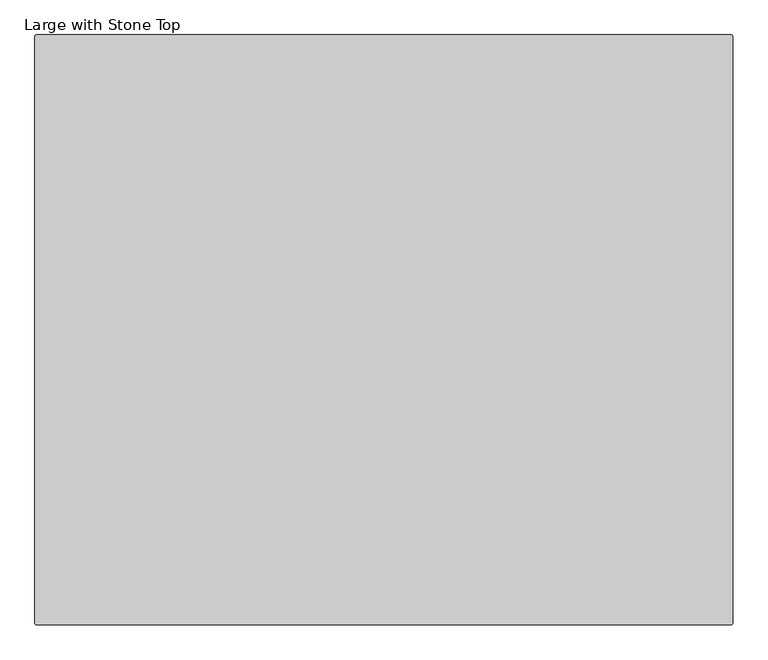
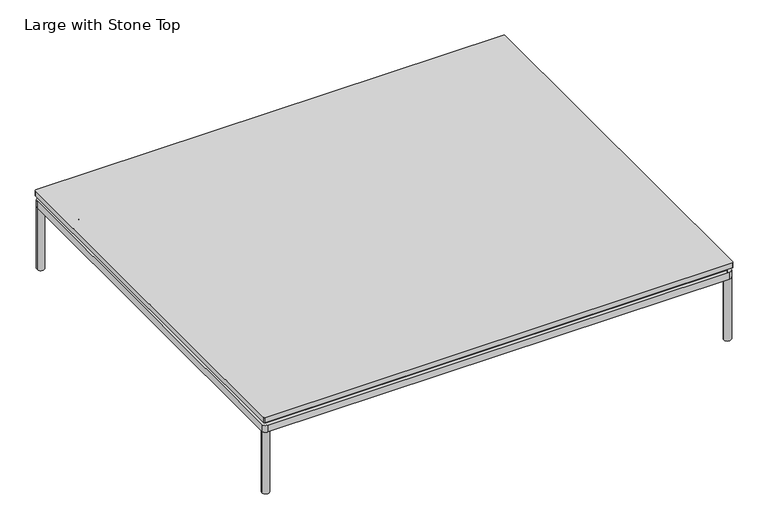
"""IFC4 building model written with IfcOpenShell, lengths in millimetres: furniture geometry, Large with Stone Top."""

from ifc_helpers import new_model, si_unit, point, frame, frame_2d, origin, origin_with_axes, place, context, project, spatial, polyline, circle_curve, trimmed, segment, composite_curve, outline, extrude, source, transform, mapped, element, save
from ifc_brep_helpers import plane_surface, cylinder_surface, advanced_brep


def large_with_stone_top_660dfce0(model_context):
    return source(origin(), model_context, "Body", "SolidModel", [
        extrude(outline(composite_curve([segment(trimmed(circle_curve(frame_2d((492.2547118, 255.27)), 2.54), [point((492.2547118, 257.81))], [point((494.7947118, 255.27))], False, "CARTESIAN"), True, "CONTINUOUS"), segment(polyline([(494.7947118, 255.27), (494.7947118, -839.47)]), True, "CONTINUOUS"), segment(trimmed(circle_curve(frame_2d((492.2547118, -839.47)), 2.54), [point((494.7947118, -839.47))], [point((492.2547118, -842.01))], False, "CARTESIAN"), True, "CONTINUOUS"), segment(polyline([(492.2547118, -842.01), (-803.1452882, -842.01)]), True, "CONTINUOUS"), segment(trimmed(circle_curve(frame_2d((-803.1452882, -839.47)), 2.54), [point((-803.1452882, -842.01))], [point((-805.6852882, -839.47))], False, "CARTESIAN"), True, "CONTINUOUS"), segment(polyline([(-805.6852882, -839.47), (-805.6852882, 255.27)]), True, "CONTINUOUS"), segment(trimmed(circle_curve(frame_2d((-803.1452882, 255.27)), 2.54), [point((-805.6852882, 255.27))], [point((-803.1452882, 257.81))], False, "CARTESIAN"), True, "CONTINUOUS"), segment(polyline([(-803.1452882, 257.81), (492.2547118, 257.81)]), True, "CONTINUOUS")], self_intersect=False)), frame((0.0, 0.0, 210.5656929), z_axis=(0.0, 0.0, 1.0), x_axis=(1.0, 0.0, 0.0)), (0.0, 0.0, 1.0), 15.2403071),
        extrude(outline(composite_curve([segment(trimmed(circle_curve(frame_2d((-793.7438099, 245.8600121)), 1.9413078), [point((-795.6851177, 245.8600121))], [point((-793.7438099, 247.8013198))], False, "CARTESIAN"), True, "CONTINUOUS"), segment(polyline([(-793.7438099, 247.8013198), (482.7909315, 247.8013198)]), True, "CONTINUOUS"), segment(trimmed(circle_curve(frame_2d((482.7909315, 245.7941911)), 2.0071288), [point((482.7909315, 247.8013198))], [point((484.7980603, 245.7941911))], False, "CARTESIAN"), True, "CONTINUOUS"), segment(polyline([(484.7980603, 245.7941911), (484.7980603, -830.0202885)]), True, "CONTINUOUS"), segment(trimmed(circle_curve(frame_2d((482.7963356, -830.0202885)), 2.0017246), [point((484.7980603, -830.0202885))], [point((482.7963356, -832.0220131))], False, "CARTESIAN"), True, "CONTINUOUS"), segment(polyline([(482.7963356, -832.0220131), (-793.6865391, -832.0220131)]), True, "CONTINUOUS"), segment(trimmed(circle_curve(frame_2d((-793.6865391, -830.0234345)), 1.9985786), [point((-793.6865391, -832.0220131))], [point((-795.6851177, -830.0234345))], False, "CARTESIAN"), True, "CONTINUOUS"), segment(polyline([(-795.6851177, -830.0234345), (-795.6851177, 245.8600121)]), True, "CONTINUOUS")], self_intersect=False)), frame((0.0, 0.0, 200.6639327), z_axis=(0.0, 0.0, 1.0), x_axis=(1.0, 0.0, 0.0)), (0.0, 0.0, 1.0), 8.6983971),
        extrude(outline(composite_curve([segment(trimmed(circle_curve(frame_2d((-734.5485908, -768.4918899)), 0.8405923), [point((-734.1762907, -769.2455397))], [point((-735.2478371, -768.9584197))], False, "CARTESIAN"), True, "CONTINUOUS"), segment(trimmed(circle_curve(frame_2d((-716.0123929, -752.9681431)), 25.0138214), [point((-735.2478371, -768.9584197))], [point((-739.4781008, -761.6313881))], False, "CARTESIAN"), True, "CONTINUOUS"), segment(trimmed(circle_curve(frame_2d((-738.5030497, -761.3200964)), 1.0235365), [point((-739.4781008, -761.6313881))], [point((-739.0770727, -760.472674))], False, "CARTESIAN"), True, "CONTINUOUS"), segment(trimmed(circle_curve(frame_2d((-759.3974109, -730.4740319)), 36.2330605), [point((-739.0770727, -760.472674))], [point((-723.2576556, -733.07264))], True, "CARTESIAN"), True, "CONTINUOUS"), segment(trimmed(circle_curve(frame_2d((-722.2381008, -733.1459505)), 1.0221871), [point((-723.2576556, -733.07264))], [point((-722.4469831, -732.1453333))], False, "CARTESIAN"), True, "CONTINUOUS"), segment(trimmed(circle_curve(frame_2d((-718.2244211, -752.3728401)), 20.6635442), [point((-722.4469831, -732.1453333))], [point((-714.0018591, -732.1453333))], False, "CARTESIAN"), True, "CONTINUOUS"), segment(trimmed(circle_curve(frame_2d((-714.2108273, -733.1463624)), 1.0226079), [point((-714.0018591, -732.1453333))], [point((-713.1908621, -733.072893))], False, "CARTESIAN"), True, "CONTINUOUS"), segment(trimmed(circle_curve(frame_2d((-677.8017646, -730.9076737)), 35.4552732), [point((-713.1908621, -733.072893))], [point((-697.3714482, -760.4729215))], True, "CARTESIAN"), True, "CONTINUOUS"), segment(trimmed(circle_curve(frame_2d((-697.8841782, -761.2984642)), 0.971809), [point((-697.3714482, -760.4729215))], [point((-696.9743802, -761.6400494))], False, "CARTESIAN"), True, "CONTINUOUS"), segment(trimmed(circle_curve(frame_2d((-721.1201172, -752.5744916)), 25.79149), [point((-696.9743802, -761.6400494))], [point((-701.1962454, -768.9525343))], False, "CARTESIAN"), True, "CONTINUOUS"), segment(trimmed(circle_curve(frame_2d((-701.9409291, -768.3403811)), 0.9639946), [point((-701.1962454, -768.9525343))], [point((-702.2725515, -769.2455397))], False, "CARTESIAN"), True, "CONTINUOUS"), segment(trimmed(circle_curve(frame_2d((-718.2244211, -801.5370245)), 36.0166924), [point((-702.2725515, -769.2455397))], [point((-734.1762907, -769.2455397))], True, "CARTESIAN"), True, "CONTINUOUS")], self_intersect=False)), frame((0.0, 0.0, 165.7894444), z_axis=(0.0, 0.0, 1.0), x_axis=(1.0, 0.0, 0.0)), (0.0, 0.0, 1.0), 9.7910462),
        extrude(outline(composite_curve([segment(trimmed(circle_curve(frame_2d((-718.2242758, -754.2455832)), 3.9922173), [point((-714.2320585, -754.2455832))], [point((-722.216493, -754.2455832))], False, "CARTESIAN"), True, "CONTINUOUS"), segment(trimmed(circle_curve(frame_2d((-718.2242758, -754.2455832)), 3.9922173), [point((-722.216493, -754.2455832))], [point((-714.2320585, -754.2455832))], False, "CARTESIAN"), True, "CONTINUOUS")], self_intersect=False)), frame((0.0, 0.0, 170.7645404), z_axis=(0.0, 0.0, 1.0), x_axis=(1.0, 0.0, 0.0)), (0.0, 0.0, 1.0), 38.5901772),
        extrude(outline(composite_curve([segment(trimmed(circle_curve(frame_2d((-718.2242758, -754.2455832)), 9.4525726), [point((-708.7717031, -754.2455832))], [point((-727.6768484, -754.2455832))], False, "CARTESIAN"), True, "CONTINUOUS"), segment(trimmed(circle_curve(frame_2d((-718.2242758, -754.2455832)), 9.4525726), [point((-727.6768484, -754.2455832))], [point((-708.7717031, -754.2455832))], False, "CARTESIAN"), True, "CONTINUOUS")], self_intersect=False)), frame((0.0, 0.0, 200.6639145), z_axis=(0.0, 0.0, 1.0), x_axis=(1.0, 0.0, 0.0)), (0.0, 0.0, 1.0), 5.0787766),
        extrude(outline(composite_curve([segment(trimmed(circle_curve(frame_2d((-718.2242758, -754.2455832)), 9.4525726), [point((-708.7717031, -754.2455832))], [point((-727.6768484, -754.2455832))], False, "CARTESIAN"), True, "CONTINUOUS"), segment(trimmed(circle_curve(frame_2d((-718.2242758, -754.2455832)), 9.4525726), [point((-727.6768484, -754.2455832))], [point((-708.7717031, -754.2455832))], False, "CARTESIAN"), True, "CONTINUOUS")], self_intersect=False)), frame((0.0, 0.0, 175.5804905), z_axis=(0.0, 0.0, 1.0), x_axis=(1.0, 0.0, 0.0)), (0.0, 0.0, 1.0), 5.0787766),
        extrude(outline(composite_curve([segment(trimmed(circle_curve(frame_2d((396.8166573, -801.5370245)), 36.0166924), [point((412.7685269, -769.2455397))], [point((380.8647877, -769.2455397))], True, "CARTESIAN"), True, "CONTINUOUS"), segment(trimmed(circle_curve(frame_2d((380.5331653, -768.3403811)), 0.9639946), [point((380.8647877, -769.2455397))], [point((379.7884816, -768.9525343))], False, "CARTESIAN"), True, "CONTINUOUS"), segment(trimmed(circle_curve(frame_2d((399.7123534, -752.5744916)), 25.79149), [point((379.7884816, -768.9525343))], [point((375.5666164, -761.6400494))], False, "CARTESIAN"), True, "CONTINUOUS"), segment(trimmed(circle_curve(frame_2d((376.4764144, -761.2984642)), 0.971809), [point((375.5666164, -761.6400494))], [point((375.9636844, -760.4729215))], False, "CARTESIAN"), True, "CONTINUOUS"), segment(trimmed(circle_curve(frame_2d((356.3940008, -730.9076737)), 35.4552732), [point((375.9636844, -760.4729215))], [point((391.7830983, -733.072893))], True, "CARTESIAN"), True, "CONTINUOUS"), segment(trimmed(circle_curve(frame_2d((392.8030635, -733.1463624)), 1.0226079), [point((391.7830983, -733.072893))], [point((392.5940953, -732.1453333))], False, "CARTESIAN"), True, "CONTINUOUS"), segment(trimmed(circle_curve(frame_2d((396.8166573, -752.3728401)), 20.6635442), [point((392.5940953, -732.1453333))], [point((401.0392193, -732.1453333))], False, "CARTESIAN"), True, "CONTINUOUS"), segment(trimmed(circle_curve(frame_2d((400.830337, -733.1459505)), 1.0221871), [point((401.0392193, -732.1453333))], [point((401.8498918, -733.07264))], False, "CARTESIAN"), True, "CONTINUOUS"), segment(trimmed(circle_curve(frame_2d((437.9896471, -730.4740319)), 36.2330605), [point((401.8498918, -733.07264))], [point((417.6693089, -760.472674))], True, "CARTESIAN"), True, "CONTINUOUS"), segment(trimmed(circle_curve(frame_2d((417.0952859, -761.3200964)), 1.0235365), [point((417.6693089, -760.472674))], [point((418.070337, -761.6313881))], False, "CARTESIAN"), True, "CONTINUOUS"), segment(trimmed(circle_curve(frame_2d((394.604629, -752.9681431)), 25.0138214), [point((418.070337, -761.6313881))], [point((413.8400733, -768.9584197))], False, "CARTESIAN"), True, "CONTINUOUS"), segment(trimmed(circle_curve(frame_2d((413.140827, -768.4918899)), 0.8405923), [point((413.8400733, -768.9584197))], [point((412.7685269, -769.2455397))], False, "CARTESIAN"), True, "CONTINUOUS")], self_intersect=False)), frame((0.0, 0.0, 165.7894444), z_axis=(0.0, 0.0, 1.0), x_axis=(1.0, 0.0, 0.0)), (0.0, 0.0, 1.0), 9.7910462),
        extrude(outline(composite_curve([segment(trimmed(circle_curve(frame_2d((396.816512, -754.2455832)), 3.9922173), [point((392.8242947, -754.2455832))], [point((400.8087292, -754.2455832))], False, "CARTESIAN"), True, "CONTINUOUS"), segment(trimmed(circle_curve(frame_2d((396.816512, -754.2455832)), 3.9922173), [point((400.8087292, -754.2455832))], [point((392.8242947, -754.2455832))], False, "CARTESIAN"), True, "CONTINUOUS")], self_intersect=False)), frame((0.0, 0.0, 170.7645404), z_axis=(0.0, 0.0, 1.0), x_axis=(1.0, 0.0, 0.0)), (0.0, 0.0, 1.0), 38.5901772),
        extrude(outline(composite_curve([segment(trimmed(circle_curve(frame_2d((396.816512, -754.2455832)), 9.4525726), [point((387.3639393, -754.2455832))], [point((406.2690846, -754.2455832))], False, "CARTESIAN"), True, "CONTINUOUS"), segment(trimmed(circle_curve(frame_2d((396.816512, -754.2455832)), 9.4525726), [point((406.2690846, -754.2455832))], [point((387.3639393, -754.2455832))], False, "CARTESIAN"), True, "CONTINUOUS")], self_intersect=False)), frame((0.0, 0.0, 200.6639145), z_axis=(0.0, 0.0, 1.0), x_axis=(1.0, 0.0, 0.0)), (0.0, 0.0, 1.0), 5.0787766),
        extrude(outline(composite_curve([segment(trimmed(circle_curve(frame_2d((396.816512, -754.2455832)), 9.4525726), [point((387.3639393, -754.2455832))], [point((406.2690846, -754.2455832))], False, "CARTESIAN"), True, "CONTINUOUS"), segment(trimmed(circle_curve(frame_2d((396.816512, -754.2455832)), 9.4525726), [point((406.2690846, -754.2455832))], [point((387.3639393, -754.2455832))], False, "CARTESIAN"), True, "CONTINUOUS")], self_intersect=False)), frame((0.0, 0.0, 175.5804905), z_axis=(0.0, 0.0, 1.0), x_axis=(1.0, 0.0, 0.0)), (0.0, 0.0, 1.0), 5.0787766),
        extrude(outline(composite_curve([segment(trimmed(circle_curve(frame_2d((-734.5485908, 155.518788)), 0.8405923), [point((-734.1762907, 154.7651382))], [point((-735.2478371, 155.0522582))], False, "CARTESIAN"), True, "CONTINUOUS"), segment(trimmed(circle_curve(frame_2d((-716.0123929, 171.0425348)), 25.0138214), [point((-735.2478371, 155.0522582))], [point((-739.4781008, 162.3792898))], False, "CARTESIAN"), True, "CONTINUOUS"), segment(trimmed(circle_curve(frame_2d((-738.5030497, 162.6905815)), 1.0235365), [point((-739.4781008, 162.3792898))], [point((-739.0770727, 163.5380039))], False, "CARTESIAN"), True, "CONTINUOUS"), segment(trimmed(circle_curve(frame_2d((-759.3974109, 193.536646)), 36.2330605), [point((-739.0770727, 163.5380039))], [point((-723.2576556, 190.9380379))], True, "CARTESIAN"), True, "CONTINUOUS"), segment(trimmed(circle_curve(frame_2d((-722.2381008, 190.8647274)), 1.0221871), [point((-723.2576556, 190.9380379))], [point((-722.4469831, 191.8653446))], False, "CARTESIAN"), True, "CONTINUOUS"), segment(trimmed(circle_curve(frame_2d((-718.2244211, 171.6378378)), 20.6635442), [point((-722.4469831, 191.8653446))], [point((-714.0018591, 191.8653446))], False, "CARTESIAN"), True, "CONTINUOUS"), segment(trimmed(circle_curve(frame_2d((-714.2108273, 190.8643155)), 1.0226079), [point((-714.0018591, 191.8653446))], [point((-713.1908621, 190.9377849))], False, "CARTESIAN"), True, "CONTINUOUS"), segment(trimmed(circle_curve(frame_2d((-677.8017646, 193.1030042)), 35.4552732), [point((-713.1908621, 190.9377849))], [point((-697.3714482, 163.5377564))], True, "CARTESIAN"), True, "CONTINUOUS"), segment(trimmed(circle_curve(frame_2d((-697.8841782, 162.7122137)), 0.971809), [point((-697.3714482, 163.5377564))], [point((-696.9743802, 162.3706285))], False, "CARTESIAN"), True, "CONTINUOUS"), segment(trimmed(circle_curve(frame_2d((-721.1201172, 171.4361863)), 25.79149), [point((-696.9743802, 162.3706285))], [point((-701.1962454, 155.0581436))], False, "CARTESIAN"), True, "CONTINUOUS"), segment(trimmed(circle_curve(frame_2d((-701.9409291, 155.6702968)), 0.9639946), [point((-701.1962454, 155.0581436))], [point((-702.2725515, 154.7651382))], False, "CARTESIAN"), True, "CONTINUOUS"), segment(trimmed(circle_curve(frame_2d((-718.2244211, 122.4736534)), 36.0166924), [point((-702.2725515, 154.7651382))], [point((-734.1762907, 154.7651382))], True, "CARTESIAN"), True, "CONTINUOUS")], self_intersect=False)), frame((0.0, 0.0, 165.7894444), z_axis=(0.0, 0.0, 1.0), x_axis=(1.0, 0.0, 0.0)), (0.0, 0.0, 1.0), 9.7910462),
        extrude(outline(composite_curve([segment(trimmed(circle_curve(frame_2d((-718.2242758, 169.7650947)), 3.9922173), [point((-714.2320585, 169.7650947))], [point((-722.216493, 169.7650947))], False, "CARTESIAN"), True, "CONTINUOUS"), segment(trimmed(circle_curve(frame_2d((-718.2242758, 169.7650947)), 3.9922173), [point((-722.216493, 169.7650947))], [point((-714.2320585, 169.7650947))], False, "CARTESIAN"), True, "CONTINUOUS")], self_intersect=False)), frame((0.0, 0.0, 170.7645404), z_axis=(0.0, 0.0, 1.0), x_axis=(1.0, 0.0, 0.0)), (0.0, 0.0, 1.0), 38.5901772),
        extrude(outline(composite_curve([segment(trimmed(circle_curve(frame_2d((-718.2242758, 169.7650947)), 9.4525726), [point((-708.7717031, 169.7650947))], [point((-727.6768484, 169.7650947))], False, "CARTESIAN"), True, "CONTINUOUS"), segment(trimmed(circle_curve(frame_2d((-718.2242758, 169.7650947)), 9.4525726), [point((-727.6768484, 169.7650947))], [point((-708.7717031, 169.7650947))], False, "CARTESIAN"), True, "CONTINUOUS")], self_intersect=False)), frame((0.0, 0.0, 200.6639145), z_axis=(0.0, 0.0, 1.0), x_axis=(1.0, 0.0, 0.0)), (0.0, 0.0, 1.0), 5.0787766),
        extrude(outline(composite_curve([segment(trimmed(circle_curve(frame_2d((-718.2242758, 169.7650947)), 9.4525726), [point((-708.7717031, 169.7650947))], [point((-727.6768484, 169.7650947))], False, "CARTESIAN"), True, "CONTINUOUS"), segment(trimmed(circle_curve(frame_2d((-718.2242758, 169.7650947)), 9.4525726), [point((-727.6768484, 169.7650947))], [point((-708.7717031, 169.7650947))], False, "CARTESIAN"), True, "CONTINUOUS")], self_intersect=False)), frame((0.0, 0.0, 175.5804905), z_axis=(0.0, 0.0, 1.0), x_axis=(1.0, 0.0, 0.0)), (0.0, 0.0, 1.0), 5.0787766),
        advanced_brep(
        [(387.3639393, 169.7650947, 180.6592671), (406.2690846, 169.7650947, 180.6592671), (400.8087292, 169.7650947, 180.6592671), (392.8242947, 169.7650947, 180.6592671), (387.3639393, 169.7650947, 175.5804905), (406.2690846, 169.7650947, 175.5804905), (392.8242947, 169.7650947, 175.5804905), (400.8087292, 169.7650947, 175.5804905), (387.3639393, 169.7650947, 205.742691), (406.2690846, 169.7650947, 205.742691), (400.8087292, 169.7650947, 205.742691), (392.8242947, 169.7650947, 205.742691), (387.3639393, 169.7650947, 200.6639145), (406.2690846, 169.7650947, 200.6639145), (392.8242947, 169.7650947, 200.6639145), (400.8087292, 169.7650947, 200.6639145), (392.8242947, 169.7650947, 209.3547176), (400.8087292, 169.7650947, 209.3547176), (392.8242947, 169.7650947, 170.7645404), (400.8087292, 169.7650947, 170.7645404)],
        [
            (0, 1, circle_curve(frame((396.816512, 169.7650947, 180.6592671), z_axis=(0.0, 0.0, 1.0), x_axis=(1.0, 0.0, 0.0)), 9.4525726)),
            (1, 0, circle_curve(frame((396.816512, 169.7650947, 180.6592671), z_axis=(0.0, 0.0, 1.0), x_axis=(1.0, 0.0, 0.0)), 9.4525726)),
            (2, 3, circle_curve(frame((396.816512, 169.7650947, 180.6592671), z_axis=(0.0, 0.0, -1.0), x_axis=(1.0, 0.0, 0.0)), 3.9922173)),
            (3, 2, circle_curve(frame((396.816512, 169.7650947, 180.6592671), z_axis=(0.0, 0.0, -1.0), x_axis=(1.0, 0.0, 0.0)), 3.9922173)),
            (4, 5, circle_curve(frame((396.816512, 169.7650947, 175.5804905), z_axis=(0.0, 0.0, -1.0), x_axis=(1.0, 0.0, 0.0)), 9.4525726)),
            (5, 4, circle_curve(frame((396.816512, 169.7650947, 175.5804905), z_axis=(0.0, 0.0, -1.0), x_axis=(1.0, 0.0, 0.0)), 9.4525726)),
            (6, 7, circle_curve(frame((396.816512, 169.7650947, 175.5804905), z_axis=(0.0, 0.0, 1.0), x_axis=(1.0, 0.0, 0.0)), 3.9922173)),
            (7, 6, circle_curve(frame((396.816512, 169.7650947, 175.5804905), z_axis=(0.0, 0.0, 1.0), x_axis=(1.0, 0.0, 0.0)), 3.9922173)),
            (0, 4),
            (5, 1),
            (8, 9, circle_curve(frame((396.816512, 169.7650947, 205.742691), z_axis=(0.0, 0.0, 1.0), x_axis=(1.0, 0.0, 0.0)), 9.4525726)),
            (9, 8, circle_curve(frame((396.816512, 169.7650947, 205.742691), z_axis=(0.0, 0.0, 1.0), x_axis=(1.0, 0.0, 0.0)), 9.4525726)),
            (10, 11, circle_curve(frame((396.816512, 169.7650947, 205.742691), z_axis=(0.0, 0.0, -1.0), x_axis=(1.0, 0.0, 0.0)), 3.9922173)),
            (11, 10, circle_curve(frame((396.816512, 169.7650947, 205.742691), z_axis=(0.0, 0.0, -1.0), x_axis=(1.0, 0.0, 0.0)), 3.9922173)),
            (12, 13, circle_curve(frame((396.816512, 169.7650947, 200.6639145), z_axis=(0.0, 0.0, -1.0), x_axis=(1.0, 0.0, 0.0)), 9.4525726)),
            (13, 12, circle_curve(frame((396.816512, 169.7650947, 200.6639145), z_axis=(0.0, 0.0, -1.0), x_axis=(1.0, 0.0, 0.0)), 9.4525726)),
            (14, 15, circle_curve(frame((396.816512, 169.7650947, 200.6639145), z_axis=(0.0, 0.0, 1.0), x_axis=(1.0, 0.0, 0.0)), 3.9922173)),
            (15, 14, circle_curve(frame((396.816512, 169.7650947, 200.6639145), z_axis=(0.0, 0.0, 1.0), x_axis=(1.0, 0.0, 0.0)), 3.9922173)),
            (8, 12),
            (13, 9),
            (16, 17, circle_curve(frame((396.816512, 169.7650947, 209.3547176), z_axis=(0.0, 0.0, 1.0), x_axis=(1.0, 0.0, 0.0)), 3.9922173)),
            (17, 16, circle_curve(frame((396.816512, 169.7650947, 209.3547176), z_axis=(0.0, 0.0, 1.0), x_axis=(1.0, 0.0, 0.0)), 3.9922173)),
            (18, 19, circle_curve(frame((396.816512, 169.7650947, 170.7645404), z_axis=(0.0, 0.0, -1.0), x_axis=(1.0, 0.0, 0.0)), 3.9922173)),
            (19, 18, circle_curve(frame((396.816512, 169.7650947, 170.7645404), z_axis=(0.0, 0.0, -1.0), x_axis=(1.0, 0.0, 0.0)), 3.9922173)),
            (16, 11),
            (10, 17),
            (19, 7),
            (6, 18),
            (14, 3),
            (2, 15),
        ],
        [
            plane_surface(frame((406.2690846, 169.7650947, 180.6592671), z_axis=(0.0, 0.0, 1.0), x_axis=(0.0, 1.0, 0.0))),
            plane_surface(frame((406.2690846, 169.7650947, 175.5804905), z_axis=(0.0, 0.0, -1.0), x_axis=(0.0, -1.0, 0.0))),
            cylinder_surface(frame((396.816512, 169.7650947, 175.5804905), z_axis=(0.0, 0.0, 1.0), x_axis=(1.0, 0.0, 0.0)), 9.4525726),
            plane_surface(frame((406.2690846, 169.7650947, 205.742691), z_axis=(0.0, 0.0, 1.0), x_axis=(0.0, 1.0, 0.0))),
            plane_surface(frame((406.2690846, 169.7650947, 200.6639145), z_axis=(0.0, 0.0, -1.0), x_axis=(0.0, -1.0, 0.0))),
            cylinder_surface(frame((396.816512, 169.7650947, 200.6639145), z_axis=(0.0, 0.0, 1.0), x_axis=(1.0, 0.0, 0.0)), 9.4525726),
            plane_surface(frame((400.8087292, 169.7650947, 209.3547176), z_axis=(0.0, 0.0, 1.0), x_axis=(0.0, 1.0, 0.0))),
            plane_surface(frame((400.8087292, 169.7650947, 170.7645404), z_axis=(0.0, 0.0, -1.0), x_axis=(0.0, -1.0, 0.0))),
            cylinder_surface(frame((396.816512, 169.7650947, 170.7645404), z_axis=(0.0, 0.0, 1.0), x_axis=(1.0, 0.0, 0.0)), 3.9922173),
        ],
        [
            (0, [[1, 2], [3, 4]]),
            (1, [[5, 6], [7, 8]]),
            (2, [[-1, 9, -6, 10]]),
            (2, [[-2, -10, -5, -9]]),
            (3, [[11, 12], [13, 14]]),
            (4, [[15, 16], [17, 18]]),
            (5, [[-11, 19, -16, 20]]),
            (5, [[-12, -20, -15, -19]]),
            (6, [[21, 22]]),
            (7, [[23, 24]]),
            (8, [[-21, 25, -13, 26]]),
            (8, [[-24, 27, -7, 28]]),
            (8, [[29, -3, 30, -17]]),
            (8, [[-22, -26, -14, -25]]),
            (8, [[-23, -28, -8, -27]]),
            (8, [[-29, -18, -30, -4]]),
        ],
    ),
        extrude(outline(composite_curve([segment(trimmed(circle_curve(frame_2d((396.8166573, 122.4736534)), 36.0166924), [point((412.7685269, 154.7651382))], [point((380.8647877, 154.7651382))], True, "CARTESIAN"), True, "CONTINUOUS"), segment(trimmed(circle_curve(frame_2d((380.5331653, 155.6702968)), 0.9639946), [point((380.8647877, 154.7651382))], [point((379.7884816, 155.0581436))], False, "CARTESIAN"), True, "CONTINUOUS"), segment(trimmed(circle_curve(frame_2d((399.7123534, 171.4361863)), 25.79149), [point((379.7884816, 155.0581436))], [point((375.5666164, 162.3706285))], False, "CARTESIAN"), True, "CONTINUOUS"), segment(trimmed(circle_curve(frame_2d((376.4764144, 162.7122137)), 0.971809), [point((375.5666164, 162.3706285))], [point((375.9636844, 163.5377564))], False, "CARTESIAN"), True, "CONTINUOUS"), segment(trimmed(circle_curve(frame_2d((356.3940008, 193.1030042)), 35.4552732), [point((375.9636844, 163.5377564))], [point((391.7830983, 190.9377849))], True, "CARTESIAN"), True, "CONTINUOUS"), segment(trimmed(circle_curve(frame_2d((392.8030635, 190.8643155)), 1.0226079), [point((391.7830983, 190.9377849))], [point((392.5940953, 191.8653446))], False, "CARTESIAN"), True, "CONTINUOUS"), segment(trimmed(circle_curve(frame_2d((396.8166573, 171.6378378)), 20.6635442), [point((392.5940953, 191.8653446))], [point((401.0392193, 191.8653446))], False, "CARTESIAN"), True, "CONTINUOUS"), segment(trimmed(circle_curve(frame_2d((400.830337, 190.8647274)), 1.0221871), [point((401.0392193, 191.8653446))], [point((401.8498918, 190.9380379))], False, "CARTESIAN"), True, "CONTINUOUS"), segment(trimmed(circle_curve(frame_2d((437.9896471, 193.536646)), 36.2330605), [point((401.8498918, 190.9380379))], [point((417.6693089, 163.5380039))], True, "CARTESIAN"), True, "CONTINUOUS"), segment(trimmed(circle_curve(frame_2d((417.0952859, 162.6905815)), 1.0235365), [point((417.6693089, 163.5380039))], [point((418.070337, 162.3792898))], False, "CARTESIAN"), True, "CONTINUOUS"), segment(trimmed(circle_curve(frame_2d((394.604629, 171.0425348)), 25.0138214), [point((418.070337, 162.3792898))], [point((413.8400733, 155.0522582))], False, "CARTESIAN"), True, "CONTINUOUS"), segment(trimmed(circle_curve(frame_2d((413.140827, 155.518788)), 0.8405923), [point((413.8400733, 155.0522582))], [point((412.7685269, 154.7651382))], False, "CARTESIAN"), True, "CONTINUOUS")], self_intersect=False)), frame((0.0, 0.0, 165.7894444), z_axis=(0.0, 0.0, 1.0), x_axis=(1.0, 0.0, 0.0)), (0.0, 0.0, 1.0), 9.7910462),
        extrude(outline(polyline([(454.7958218, -738.9854681), (454.7958218, -769.2455397), (-765.6834606, -769.2455397), (-765.6834606, -738.9854681), (454.7958218, -738.9854681)])), frame((0.0, 0.0, 182.5080096), z_axis=(0.0, 0.0, 1.0), x_axis=(1.0, 0.0, 0.0)), (0.0, 0.0, 1.0), 18.1559049),
        extrude(outline(polyline([(454.7958218, -537.2533049), (454.7958218, -567.5133765), (-765.6834606, -567.5133765), (-765.6834606, -537.2533049), (454.7958218, -537.2533049)])), frame((0.0, 0.0, 182.5080096), z_axis=(0.0, 0.0, 1.0), x_axis=(1.0, 0.0, 0.0)), (0.0, 0.0, 1.0), 18.1559049),
        extrude(outline(polyline([(454.7958218, -335.4707087), (454.7958218, -365.7307803), (-765.6834606, -365.7307803), (-765.6834606, -335.4707087), (454.7958218, -335.4707087)])), frame((0.0, 0.0, 182.5080096), z_axis=(0.0, 0.0, 1.0), x_axis=(1.0, 0.0, 0.0)), (0.0, 0.0, 1.0), 18.1559049),
        extrude(outline(polyline([(454.7958218, 185.0252098), (454.7958218, 154.7651382), (-765.6834606, 154.7651382), (-765.6834606, 185.0252098), (454.7958218, 185.0252098)])), frame((0.0, 0.0, 182.5080096), z_axis=(0.0, 0.0, 1.0), x_axis=(1.0, 0.0, 0.0)), (0.0, 0.0, 1.0), 18.1559049),
        extrude(outline(polyline([(190.6386208, 160.3135818), (-774.9557372, 160.3137453), (-802.0272233, 176.9731213), (-802.0272233, 200.6601021), (-769.245576, 180.4867667), (185.0247737, 180.4866032), (217.8063484, 200.6598086), (217.8063484, 177.0397933), (190.6386208, 160.3135818)])), frame((-170.5782154, 0.0, 0.0), z_axis=(1.0, 0.0, 0.0), x_axis=(0.0, 1.0, 0.0)), (0.0, 0.0, 1.0), 30.2599248),
        extrude(outline(composite_curve([segment(trimmed(circle_curve(frame_2d((484.6347118, 247.65)), 10.16), [point((484.6347118, 257.81))], [point((494.7947118, 247.65))], False, "CARTESIAN"), True, "CONTINUOUS"), segment(polyline([(494.7947118, 247.65), (494.7947118, -831.85)]), True, "CONTINUOUS"), segment(trimmed(circle_curve(frame_2d((484.6347118, -831.85)), 10.16), [point((494.7947118, -831.85))], [point((484.6347118, -842.01))], False, "CARTESIAN"), True, "CONTINUOUS"), segment(polyline([(484.6347118, -842.01), (-795.5252882, -842.01)]), True, "CONTINUOUS"), segment(trimmed(circle_curve(frame_2d((-795.5252882, -831.85)), 10.16), [point((-795.5252882, -842.01))], [point((-805.6852882, -831.85))], False, "CARTESIAN"), True, "CONTINUOUS"), segment(polyline([(-805.6852882, -831.85), (-805.6852882, 247.65)]), True, "CONTINUOUS"), segment(trimmed(circle_curve(frame_2d((-795.5252882, 247.65)), 10.16), [point((-805.6852882, 247.65))], [point((-795.5252882, 257.81))], False, "CARTESIAN"), True, "CONTINUOUS"), segment(polyline([(-795.5252882, 257.81), (484.6347118, 257.81)]), True, "CONTINUOUS")], self_intersect=False), holes=[composite_curve([segment(polyline([(-793.6865391, -832.0220131), (482.7963356, -832.0220131)]), True, "CONTINUOUS"), segment(trimmed(circle_curve(frame_2d((482.7963356, -830.0202885)), 2.0017246), [point((482.7963356, -832.0220131))], [point((484.7980603, -830.0202885))], True, "CARTESIAN"), True, "CONTINUOUS"), segment(polyline([(484.7980603, -830.0202885), (484.7980603, 245.7941911)]), True, "CONTINUOUS"), segment(trimmed(circle_curve(frame_2d((482.7909315, 245.7941911)), 2.0071288), [point((484.7980603, 245.7941911))], [point((482.7909315, 247.8013198))], True, "CARTESIAN"), True, "CONTINUOUS"), segment(polyline([(482.7909315, 247.8013198), (-793.7438099, 247.8013198)]), True, "CONTINUOUS"), segment(trimmed(circle_curve(frame_2d((-793.7438099, 245.8600121)), 1.9413078), [point((-793.7438099, 247.8013198))], [point((-795.6851177, 245.8600121))], True, "CARTESIAN"), True, "CONTINUOUS"), segment(polyline([(-795.6851177, 245.8600121), (-795.6851177, -830.0234345)]), True, "CONTINUOUS"), segment(trimmed(circle_curve(frame_2d((-793.6865391, -830.0234345)), 1.9985786), [point((-795.6851177, -830.0234345))], [point((-793.6865391, -832.0220131))], True, "CARTESIAN"), True, "CONTINUOUS")], self_intersect=False)]), frame((0.0, 0.0, 180.8301142), z_axis=(0.0, 0.0, 1.0), x_axis=(1.0, 0.0, 0.0)), (0.0, 0.0, 1.0), 19.8338184),
        extrude(outline(composite_curve([segment(polyline([(482.8193838, -831.0234549), (-793.6852152, -831.0234549)]), True, "CONTINUOUS"), segment(trimmed(circle_curve(frame_2d((-793.6852152, -830.022038)), 1.0014169), [point((-793.6852152, -831.0234549))], [point((-794.6866321, -830.022038))], False, "CARTESIAN"), True, "CONTINUOUS"), segment(polyline([(-794.6866321, -830.022038), (-794.6866321, 245.7403667)]), True, "CONTINUOUS"), segment(trimmed(circle_curve(frame_2d((-793.6243099, 245.7403667)), 1.0623222), [point((-794.6866321, 245.7403667))], [point((-793.62431, 246.8026889))], False, "CARTESIAN"), True, "CONTINUOUS"), segment(polyline([(-793.62431, 246.8026889), (482.8079882, 246.8028345)]), True, "CONTINUOUS"), segment(trimmed(circle_curve(frame_2d((482.8079882, 245.811248)), 0.9915865), [point((482.8079882, 246.8028345))], [point((483.7995747, 245.811248))], False, "CARTESIAN"), True, "CONTINUOUS"), segment(polyline([(483.7995747, 245.811248), (483.7995747, -830.043264)]), True, "CONTINUOUS"), segment(trimmed(circle_curve(frame_2d((482.8193838, -830.043264)), 0.9801909), [point((483.7995747, -830.043264))], [point((482.8193838, -831.0234549))], False, "CARTESIAN"), True, "CONTINUOUS")], self_intersect=False), holes=[composite_curve([segment(polyline([(467.7876141, 232.8228736), (-778.6802636, 232.8228736)]), True, "CONTINUOUS"), segment(trimmed(circle_curve(frame_2d((-778.6802636, 230.7964657)), 2.0264079), [point((-778.6802636, 232.8228736))], [point((-780.7066715, 230.7964657))], True, "CARTESIAN"), True, "CONTINUOUS"), segment(polyline([(-780.7066715, 230.7964657), (-780.7066715, -814.9889467)]), True, "CONTINUOUS"), segment(trimmed(circle_curve(frame_2d((-778.6520513, -814.9889467)), 2.0546202), [point((-780.7066715, -814.9889467))], [point((-778.652051, -817.0435669))], True, "CARTESIAN"), True, "CONTINUOUS"), segment(polyline([(-778.652051, -817.0435669), (467.8179778, -817.0437486)]), True, "CONTINUOUS"), segment(trimmed(circle_curve(frame_2d((467.8179778, -815.0418214)), 2.0019272), [point((467.8179778, -817.0437486))], [point((469.819905, -815.0418208))], True, "CARTESIAN"), True, "CONTINUOUS"), segment(polyline([(469.819905, -815.0418208), (469.8196141, 230.7908742)]), True, "CONTINUOUS"), segment(trimmed(circle_curve(frame_2d((467.7876141, 230.7908736)), 2.032), [point((469.8196141, 230.7908742))], [point((467.7876141, 232.8228736))], True, "CARTESIAN"), True, "CONTINUOUS")], self_intersect=False)]), frame((0.0, 0.0, 180.8301142), z_axis=(0.0, 0.0, 1.0), x_axis=(1.0, 0.0, 0.0)), (0.0, 0.0, 1.0), 19.8338184),
        extrude(outline(composite_curve([segment(trimmed(circle_curve(frame_2d((467.7876141, 230.7908736)), 2.032), [point((467.7876141, 232.8228736))], [point((469.8196141, 230.7908742))], False, "CARTESIAN"), True, "CONTINUOUS"), segment(polyline([(469.8196141, 230.7908742), (469.8199045, -815.0418208)]), True, "CONTINUOUS"), segment(trimmed(circle_curve(frame_2d((467.8179772, -815.0418214)), 2.0019272), [point((469.8199045, -815.0418208))], [point((467.8179775, -817.0437486))], False, "CARTESIAN"), True, "CONTINUOUS"), segment(polyline([(467.8179775, -817.0437486), (-778.652051, -817.0435669)]), True, "CONTINUOUS"), segment(trimmed(circle_curve(frame_2d((-778.6520507, -814.9889461)), 2.0546208), [point((-778.652051, -817.0435669))], [point((-780.7066715, -814.9889461))], False, "CARTESIAN"), True, "CONTINUOUS"), segment(polyline([(-780.7066715, -814.9889461), (-780.7066715, 230.7964657)]), True, "CONTINUOUS"), segment(trimmed(circle_curve(frame_2d((-778.6802636, 230.7964657)), 2.0264079), [point((-780.7066715, 230.7964657))], [point((-778.6802636, 232.8228736))], False, "CARTESIAN"), True, "CONTINUOUS"), segment(polyline([(-778.6802636, 232.8228736), (467.7876141, 232.8228736)]), True, "CONTINUOUS")], self_intersect=False), holes=[polyline([(-765.6831699, -802.0272233), (454.7961125, -802.026969), (454.7958218, 217.8060577), (-765.6831699, 217.8063484), (-765.6831699, -802.0272233)])]), frame((0.0, 0.0, 180.8301142), z_axis=(0.0, 0.0, 1.0), x_axis=(1.0, 0.0, 0.0)), (0.0, 0.0, 1.0), 19.8336913),
        extrude(outline(composite_curve([segment(trimmed(circle_curve(frame_2d((484.7983509, -832.0220858)), 9.92796), [point((474.8703909, -832.0220858))], [point((494.726311, -832.0220858))], False, "CARTESIAN"), True, "CONTINUOUS"), segment(trimmed(circle_curve(frame_2d((484.7983509, -832.0220858)), 9.92796), [point((494.726311, -832.0220858))], [point((474.8703909, -832.0220858))], False, "CARTESIAN"), True, "CONTINUOUS")], self_intersect=False)), origin_with_axes(), (0.0, 0.0, 1.0), 180.8301142),
        extrude(outline(composite_curve([segment(trimmed(circle_curve(frame_2d((-795.6889272, -832.0220858)), 9.92796), [point((-805.6168873, -832.0220858))], [point((-785.7609672, -832.0220858))], False, "CARTESIAN"), True, "CONTINUOUS"), segment(trimmed(circle_curve(frame_2d((-795.6889272, -832.0220858)), 9.92796), [point((-785.7609672, -832.0220858))], [point((-805.6168873, -832.0220858))], False, "CARTESIAN"), True, "CONTINUOUS")], self_intersect=False)), origin_with_axes(), (0.0, 0.0, 1.0), 180.8301142),
        extrude(outline(composite_curve([segment(trimmed(circle_curve(frame_2d((484.7983509, 247.8220858)), 9.92796), [point((474.8703909, 247.8220858))], [point((494.726311, 247.8220858))], False, "CARTESIAN"), True, "CONTINUOUS"), segment(trimmed(circle_curve(frame_2d((484.7983509, 247.8220858)), 9.92796), [point((494.726311, 247.8220858))], [point((474.8703909, 247.8220858))], False, "CARTESIAN"), True, "CONTINUOUS")], self_intersect=False)), origin_with_axes(), (0.0, 0.0, 1.0), 180.8301142),
        extrude(outline(composite_curve([segment(trimmed(circle_curve(frame_2d((-795.6889272, 247.8220858)), 9.92796), [point((-805.6168873, 247.8220858))], [point((-785.7609672, 247.8220858))], False, "CARTESIAN"), True, "CONTINUOUS"), segment(trimmed(circle_curve(frame_2d((-795.6889272, 247.8220858)), 9.92796), [point((-785.7609672, 247.8220858))], [point((-805.6168873, 247.8220858))], False, "CARTESIAN"), True, "CONTINUOUS")], self_intersect=False)), origin_with_axes(), (0.0, 0.0, 1.0), 180.8301142),
    ])


if __name__ == "__main__":
    model = new_model("IFC4")
    model_context = context("Model", 3, world=origin())
    ifc_project = project(units=[si_unit("LENGTHUNIT", "METRE", prefix="MILLI")], contexts=[model_context])
    site = spatial("IfcSite", under=ifc_project)
    building = spatial("IfcBuilding", under=site)
    placement = place(None, origin())
    large_with_stone_top_shape = large_with_stone_top_660dfce0(model_context)
    element("IfcFurniture", 1, ObjectType="Large with Stone Top", at=placement, inside=building, context=model_context, shape_type="MappedRepresentation", body=[
        mapped(large_with_stone_top_shape, transform((0.0, 0.0, 0.0), x_axis=(1.0, 0.0, 0.0), y_axis=(0.0, 1.0, 0.0), z_axis=(0.0, 0.0, 1.0))),
    ])
    save(model, "model.ifc")
